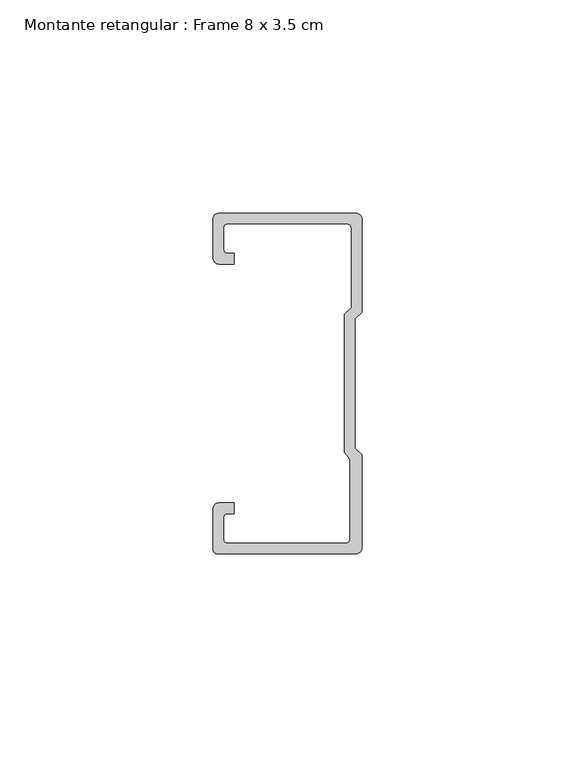
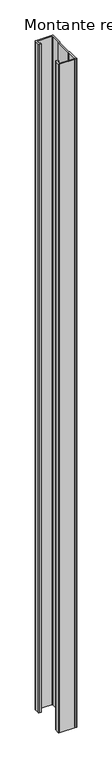
"""IFC4 building model written with IfcOpenShell, lengths in millimetres: member geometry, Montante retangular : Frame 8 x 3.5 cm."""

from ifc_helpers import new_model, si_unit, point, frame, frame_2d, origin, place, context, project, spatial, polyline, circle_curve, trimmed, segment, composite_curve, outline, extrude, source, transform, mapped, element, save


def montante_retangular_frame_8_x_3_5_cm_93b5fa1c(model_context):
    return source(origin(), model_context, "Body", "SweptSolid", [
        extrude(outline(composite_curve([segment(polyline([(-17.5, 29.5276505), (-17.5, 38.5)]), True, "CONTINUOUS"), segment(trimmed(circle_curve(frame_2d((-16.0, 38.5)), 1.5), [point((-17.5, 38.5))], [point((-16.0, 40.0))], False, "CARTESIAN"), True, "CONTINUOUS"), segment(polyline([(-16.0, 40.0), (16.0, 40.0)]), True, "CONTINUOUS"), segment(trimmed(circle_curve(frame_2d((16.0, 38.5)), 1.5), [point((16.0, 40.0))], [point((17.5, 38.5))], False, "CARTESIAN"), True, "CONTINUOUS"), segment(polyline([(17.5, 38.5), (17.5, 16.7622662), (15.9122869, 15.174553), (15.9122869, -15.174553), (17.5, -16.7622662), (17.5, -38.5)]), True, "CONTINUOUS"), segment(trimmed(circle_curve(frame_2d((16.0, -38.5)), 1.5), [point((17.5, -38.5))], [point((16.0, -40.0))], False, "CARTESIAN"), True, "CONTINUOUS"), segment(polyline([(16.0, -40.0), (-16.3171833, -40.0)]), True, "CONTINUOUS"), segment(trimmed(circle_curve(frame_2d((-16.3171833, -38.8171833)), 1.1828167), [point((-16.3171833, -40.0))], [point((-17.5, -38.8171833))], False, "CARTESIAN"), True, "CONTINUOUS"), segment(polyline([(-17.5, -38.8171833), (-17.5, -29.5276505)]), True, "CONTINUOUS"), segment(trimmed(circle_curve(frame_2d((-16.0, -29.5276505)), 1.5), [point((-17.5, -29.5276505))], [point((-16.0, -28.0276505))], False, "CARTESIAN"), True, "CONTINUOUS"), segment(polyline([(-16.0, -28.0276505), (-12.5162256, -28.0276505), (-12.5162256, -30.5276505), (-14.0, -30.5276505)]), True, "CONTINUOUS"), segment(trimmed(circle_curve(frame_2d((-14.0, -31.5276505)), 1.0), [point((-14.0, -30.5276505))], [point((-15.0, -31.5276505))], True, "CARTESIAN"), True, "CONTINUOUS"), segment(polyline([(-15.0, -31.5276505), (-15.0, -36.5)]), True, "CONTINUOUS"), segment(trimmed(circle_curve(frame_2d((-14.0, -36.5)), 1.0), [point((-15.0, -36.5))], [point((-14.0, -37.5))], True, "CARTESIAN"), True, "CONTINUOUS"), segment(polyline([(-14.0, -37.5), (13.692786, -37.5)]), True, "CONTINUOUS"), segment(trimmed(circle_curve(frame_2d((13.692786, -36.5)), 1.0), [point((13.692786, -37.5))], [point((14.692786, -36.5))], True, "CARTESIAN"), True, "CONTINUOUS"), segment(polyline([(14.692786, -36.5), (14.692786, -17.7671948), (13.4122869, -16.1794816), (13.4122869, 16.2100869), (15.0, 17.7978001), (15.0, 36.5)]), True, "CONTINUOUS"), segment(trimmed(circle_curve(frame_2d((14.0, 36.5)), 1.0), [point((15.0, 36.5))], [point((14.0, 37.5))], True, "CARTESIAN"), True, "CONTINUOUS"), segment(polyline([(14.0, 37.5), (-14.0, 37.5)]), True, "CONTINUOUS"), segment(trimmed(circle_curve(frame_2d((-14.0, 36.5)), 1.0), [point((-14.0, 37.5))], [point((-15.0, 36.5))], True, "CARTESIAN"), True, "CONTINUOUS"), segment(polyline([(-15.0, 36.5), (-15.0, 31.5276505)]), True, "CONTINUOUS"), segment(trimmed(circle_curve(frame_2d((-14.0, 31.5276505)), 1.0), [point((-15.0, 31.5276505))], [point((-14.0, 30.5276505))], True, "CARTESIAN"), True, "CONTINUOUS"), segment(polyline([(-14.0, 30.5276505), (-12.5162256, 30.5276505), (-12.5162256, 28.0276505), (-16.0, 28.0276505)]), True, "CONTINUOUS"), segment(trimmed(circle_curve(frame_2d((-16.0, 29.5276505)), 1.5), [point((-16.0, 28.0276505))], [point((-17.5, 29.5276505))], False, "CARTESIAN"), True, "CONTINUOUS")], self_intersect=False)), frame((0.0, 0.0, -1365.0), z_axis=(0.0, 0.0, 1.0), x_axis=(1.0, 0.0, 0.0)), (0.0, 0.0, 1.0), 1365.0),
    ])


if __name__ == "__main__":
    model = new_model("IFC4")
    model_context = context("Model", 3, world=origin())
    ifc_project = project(units=[si_unit("LENGTHUNIT", "METRE", prefix="MILLI")], contexts=[model_context])
    site = spatial("IfcSite", under=ifc_project)
    building = spatial("IfcBuilding", under=site)
    placement = place(None, origin())
    montante_retangular_frame_8_x_3_5_cm_shape = montante_retangular_frame_8_x_3_5_cm_93b5fa1c(model_context)
    element("IfcMember", 1, ObjectType="Montante retangular : Frame 8 x 3.5 cm", at=placement, inside=building, context=model_context, shape_type="MappedRepresentation", body=[
        mapped(montante_retangular_frame_8_x_3_5_cm_shape, transform((0.0, 0.0, 0.0), x_axis=(1.0, 0.0, 0.0), y_axis=(0.0, 1.0, 0.0), z_axis=(0.0, 0.0, 1.0))),
    ])
    save(model, "model.ifc")
